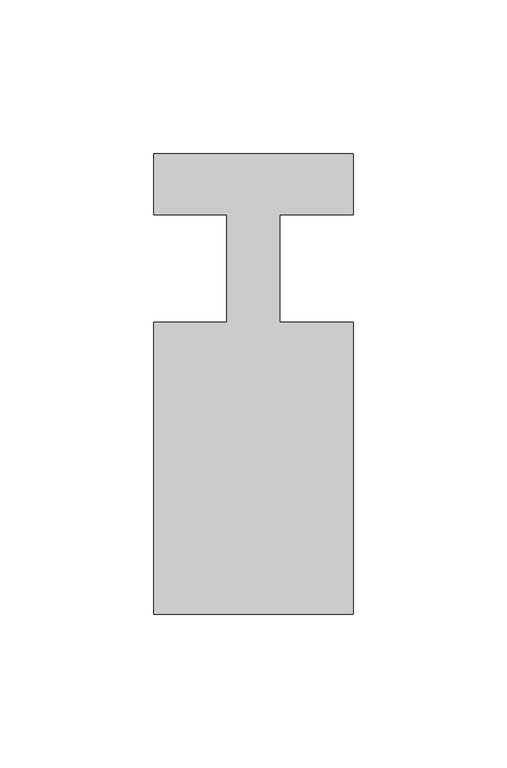
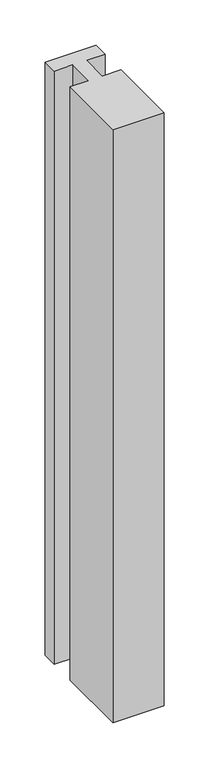
"""IFC4 building model written with IfcOpenShell, lengths in millimetres: member geometry."""

from ifc_helpers import new_model, si_unit, frame, origin, place, context, project, spatial, polyline, outline, extrude, source, transform, mapped, element, save


def member_204c0d84(model_context):
    return source(origin(), model_context, "Body", "SweptSolid", [
        extrude(outline(polyline([(0.0, 37.0), (0.0, 17.0), (-23.8125, 17.0), (-23.8125, -18.0), (0.0, -18.0), (0.0, -113.0), (-65.0, -113.0), (-65.0, -18.0), (-41.1875, -18.0), (-41.1875, 17.0), (-65.0, 17.0), (-65.0, 37.0), (0.0, 37.0)])), frame((0.0, 0.0, -800.0), z_axis=(0.0, 0.0, 1.0), x_axis=(1.0, 0.0, 0.0)), (0.0, 0.0, 1.0), 800.0),
    ])


if __name__ == "__main__":
    model = new_model("IFC4")
    model_context = context("Model", 3, world=origin())
    ifc_project = project(units=[si_unit("LENGTHUNIT", "METRE", prefix="MILLI")], contexts=[model_context])
    site = spatial("IfcSite", under=ifc_project)
    building = spatial("IfcBuilding", under=site)
    placement = place(None, origin())
    member_shape = member_204c0d84(model_context)
    element("IfcMember", 1, at=placement, inside=building, context=model_context, shape_type="MappedRepresentation", body=[
        mapped(member_shape, transform((0.0, 0.0, 0.0), x_axis=(1.0, 0.0, 0.0), y_axis=(0.0, 1.0, 0.0), z_axis=(0.0, 0.0, 1.0))),
    ])
    save(model, "model.ifc")
